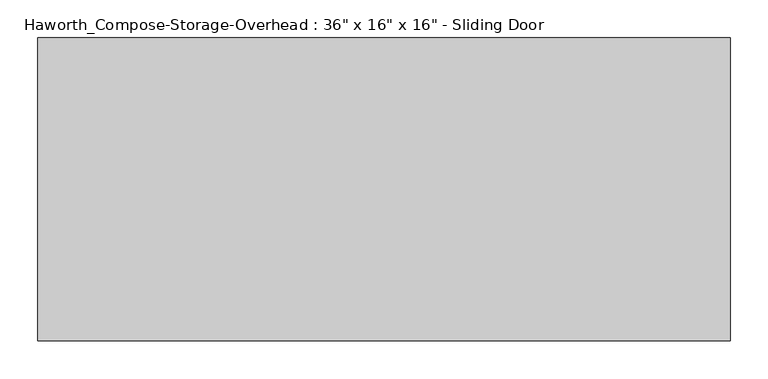
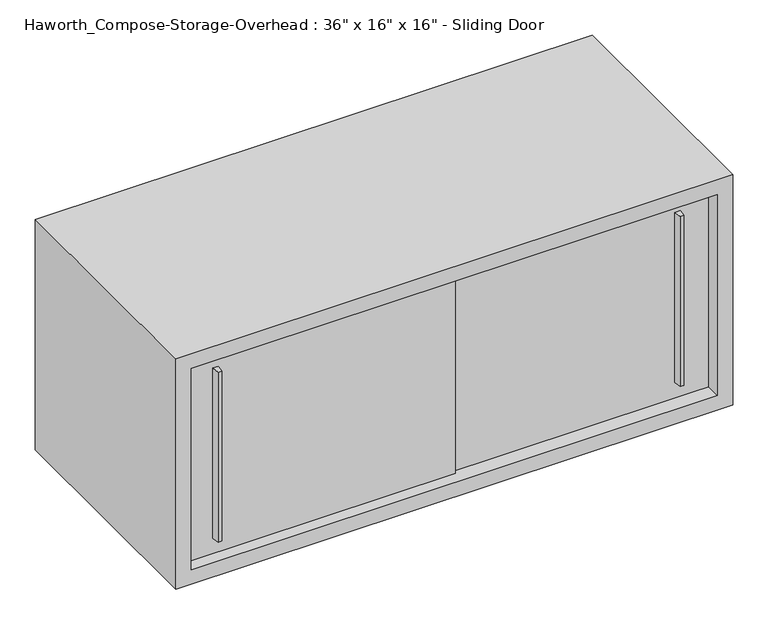
"""IFC4 building model written with IfcOpenShell, lengths in millimetres: furniture geometry."""

from ifc_helpers import new_model, si_unit, frame, origin, place, context, project, spatial, polyline, outline, extrude, source, transform, mapped, element, save


def furniture_6ab8db5e(model_context):
    return source(origin(), model_context, "Body", "SweptSolid", [
        extrude(outline(polyline([(549.2750004, -387.3499879), (542.9249996, -387.3499879), (541.3375011, -374.65), (550.8624989, -374.65), (549.2750004, -387.3499879)])), frame((0.0, 0.0, 1322.3875), z_axis=(0.0, 0.0, 1.0), x_axis=(1.0, 0.0, 0.0)), (0.0, 0.0, 1.0), 295.275),
        extrude(outline(polyline([(-212.7249996, -393.6999879), (-219.0750004, -393.6999879), (-220.6624989, -381.0), (-211.1375011, -381.0), (-212.7249996, -393.6999879)])), frame((0.0, 0.0, 1322.3875), z_axis=(0.0, 0.0, 1.0), x_axis=(1.0, 0.0, 0.0)), (0.0, 0.0, 1.0), 295.275),
        extrude(outline(polyline([(-266.7, -374.65), (177.8, -374.65), (177.8, -381.0), (-266.7, -381.0), (-266.7, -374.65)])), frame((0.0, 0.0, 1295.4), z_axis=(0.0, 0.0, 1.0), x_axis=(1.0, 0.0, 0.0)), (0.0, 0.0, 1.0), 349.25),
        extrude(outline(polyline([(152.4, -368.3), (596.9, -368.3), (596.9, -374.65), (152.4, -374.65), (152.4, -368.3)])), frame((0.0, 0.0, 1295.4), z_axis=(0.0, 0.0, 1.0), x_axis=(1.0, 0.0, 0.0)), (0.0, 0.0, 1.0), 349.25),
        extrude(outline(polyline([(596.9, -6.35), (-266.7, -6.35), (-266.7, 0.0), (596.9, 0.0), (596.9, -6.35)])), frame((0.0, 0.0, 1295.4), z_axis=(0.0, 0.0, 1.0), x_axis=(1.0, 0.0, 0.0)), (0.0, 0.0, 1.0), 349.25),
        extrude(outline(polyline([(1270.0, 622.3), (1670.05, 622.3), (1670.05, -292.1), (1270.0, -292.1), (1270.0, 622.3)]), holes=[polyline([(1644.65, 596.9), (1295.4, 596.9), (1295.4, -266.7), (1644.65, -266.7), (1644.65, 596.9)])]), frame((0.0, -400.05, 0.0), z_axis=(0.0, 1.0, 0.0), x_axis=(0.0, 0.0, 1.0)), (0.0, 0.0, 1.0), 400.05),
    ])


if __name__ == "__main__":
    model = new_model("IFC4")
    model_context = context("Model", 3, world=origin())
    ifc_project = project(units=[si_unit("LENGTHUNIT", "METRE", prefix="MILLI")], contexts=[model_context])
    site = spatial("IfcSite", under=ifc_project)
    building = spatial("IfcBuilding", under=site)
    placement = place(None, origin())
    furniture_shape = furniture_6ab8db5e(model_context)
    element("IfcFurniture", 1, ObjectType="Haworth_Compose-Storage-Overhead : 36\" x 16\" x 16\" - Sliding Door", at=placement, inside=building, context=model_context, shape_type="MappedRepresentation", body=[
        mapped(furniture_shape, transform((0.0, 0.0, 0.0), x_axis=(1.0, 0.0, 0.0), y_axis=(0.0, 1.0, 0.0), z_axis=(0.0, 0.0, 1.0))),
    ])
    save(model, "model.ifc")
